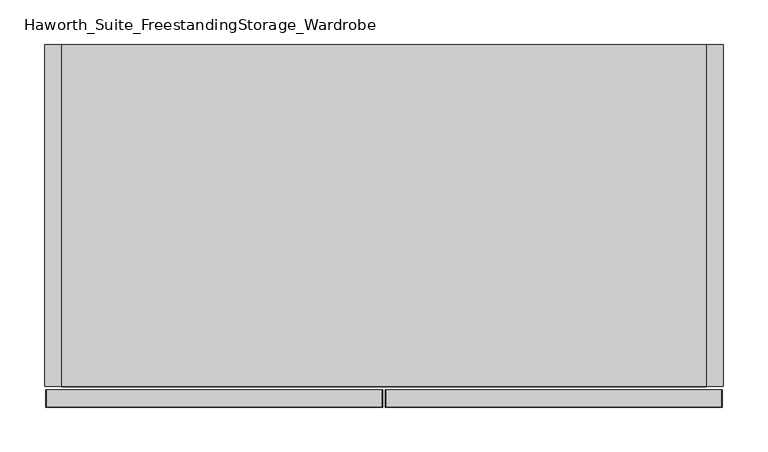
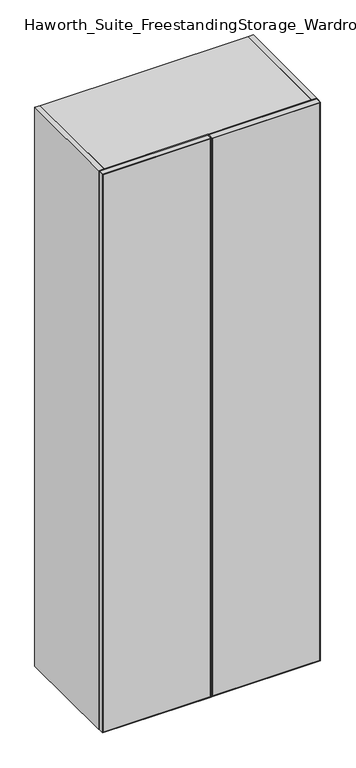
"""IFC4 building model written with IfcOpenShell, lengths in millimetres: furniture geometry, Haworth_Suite_FreestandingStorage_Wardrobe."""

from ifc_helpers import new_model, si_unit, point, frame, frame_2d, origin, origin_with_axes, place, context, project, spatial, polyline, circle_curve, trimmed, segment, composite_curve, outline, extrude, source, transform, mapped, element, save


def haworth_suite_freestandingstorage_wardrobe_056a5f03(model_context):
    return source(origin(), model_context, "Body", "SweptSolid", [
        extrude(outline(polyline([(2057.4, 61.9125), (2055.8125, 60.325), (1.5875, 60.325), (0.0, 61.9125), (2057.4, 61.9125)])), frame((0.0, -419.89375, 0.0), z_axis=(0.0, 1.0, 0.0), x_axis=(0.0, 0.0, 1.0)), (0.0, 0.0, 1.0), 19.05),
        extrude(outline(polyline([(2057.4, -315.9125), (0.0, -315.9125), (1.5875, -314.325), (2055.8125, -314.325), (2057.4, -315.9125)])), frame((0.0, -419.89375, 0.0), z_axis=(0.0, 1.0, 0.0), x_axis=(0.0, 0.0, 1.0)), (0.0, 0.0, 1.0), 19.05),
        extrude(outline(polyline([(2055.8125, 60.325), (2057.4, 61.9125), (2057.4, -315.9125), (2055.8125, -314.325), (2055.8125, 60.325)])), frame((0.0, -419.89375, 0.0), z_axis=(0.0, 1.0, 0.0), x_axis=(0.0, 0.0, 1.0)), (0.0, 0.0, 1.0), 19.05),
        extrude(outline(polyline([(1.5875, 60.325), (1.5875, -314.325), (0.0, -315.9125), (0.0, 61.9125), (1.5875, 60.325)])), frame((0.0, -419.89375, 0.0), z_axis=(0.0, 1.0, 0.0), x_axis=(0.0, 0.0, 1.0)), (0.0, 0.0, 1.0), 19.05),
        extrude(outline(polyline([(-314.325, -401.6375), (60.325, -401.6375), (60.325, -419.1), (-314.325, -419.1), (-314.325, -401.6375)])), frame((0.0, 0.0, 1.5875), z_axis=(0.0, 0.0, 1.0), x_axis=(1.0, 0.0, 0.0)), (0.0, 0.0, 1.0), 2054.225),
        extrude(outline(polyline([(2057.4, 65.0875), (0.0, 65.0875), (1.5875, 66.675), (2055.8125, 66.675), (2057.4, 65.0875)])), frame((0.0, -419.89375, 0.0), z_axis=(0.0, 1.0, 0.0), x_axis=(0.0, 0.0, 1.0)), (0.0, 0.0, 1.0), 19.05),
        extrude(outline(polyline([(2057.4, 442.9125), (2055.8125, 441.325), (1.5875, 441.325), (0.0, 442.9125), (2057.4, 442.9125)])), frame((0.0, -419.89375, 0.0), z_axis=(0.0, 1.0, 0.0), x_axis=(0.0, 0.0, 1.0)), (0.0, 0.0, 1.0), 19.05),
        extrude(outline(polyline([(2055.8125, 66.675), (2055.8125, 441.325), (2057.4, 442.9125), (2057.4, 65.0875), (2055.8125, 66.675)])), frame((0.0, -419.89375, 0.0), z_axis=(0.0, 1.0, 0.0), x_axis=(0.0, 0.0, 1.0)), (0.0, 0.0, 1.0), 19.05),
        extrude(outline(polyline([(1.5875, 66.675), (0.0, 65.0875), (0.0, 442.9125), (1.5875, 441.325), (1.5875, 66.675)])), frame((0.0, -419.89375, 0.0), z_axis=(0.0, 1.0, 0.0), x_axis=(0.0, 0.0, 1.0)), (0.0, 0.0, 1.0), 19.05),
        extrude(outline(polyline([(441.325, -401.6375), (441.325, -419.1), (66.675, -419.1), (66.675, -401.6375), (441.325, -401.6375)])), frame((0.0, 0.0, 1.5875), z_axis=(0.0, 0.0, 1.0), x_axis=(1.0, 0.0, 0.0)), (0.0, 0.0, 1.0), 2054.225),
        extrude(outline(composite_curve([segment(trimmed(circle_curve(frame_2d((1524.0, 196.85)), 12.7), [point((1524.0, 209.55))], [point((1524.0, 184.15))], False, "CARTESIAN"), True, "CONTINUOUS"), segment(trimmed(circle_curve(frame_2d((1524.0, 196.85)), 12.7), [point((1524.0, 184.15))], [point((1524.0, 209.55))], False, "CARTESIAN"), True, "CONTINUOUS")], self_intersect=False)), frame((0.0, -88.9, 0.0), z_axis=(0.0, 1.0, 0.0), x_axis=(0.0, 0.0, 1.0)), (0.0, 0.0, 1.0), 57.15),
        extrude(outline(polyline([(-31.75, -31.75), (-31.75, -396.875), (-50.8, -396.875), (-50.8, -31.75), (-31.75, -31.75)])), frame((0.0, 0.0, 38.1), z_axis=(0.0, 0.0, 1.0), x_axis=(1.0, 0.0, 0.0)), (0.0, 0.0, 1.0), 2000.25),
        extrude(outline(polyline([(-50.8, -31.75), (-50.8, -377.825), (-298.45, -377.825), (-298.45, -31.75), (-50.8, -31.75)])), frame((0.0, 0.0, 1631.95), z_axis=(0.0, 0.0, 1.0), x_axis=(1.0, 0.0, 0.0)), (0.0, 0.0, 1.0), 19.05),
        extrude(outline(polyline([(-50.8, -31.75), (-50.8, -377.825), (-298.45, -377.825), (-298.45, -31.75), (-50.8, -31.75)])), frame((0.0, 0.0, 431.8), z_axis=(0.0, 0.0, 1.0), x_axis=(1.0, 0.0, 0.0)), (0.0, 0.0, 1.0), 19.05),
        extrude(outline(polyline([(-50.8, -31.75), (-50.8, -377.825), (-298.45, -377.825), (-298.45, -31.75), (-50.8, -31.75)])), frame((0.0, 0.0, 831.85), z_axis=(0.0, 0.0, 1.0), x_axis=(1.0, 0.0, 0.0)), (0.0, 0.0, 1.0), 19.05),
        extrude(outline(polyline([(-50.8, -31.75), (-50.8, -377.825), (-298.45, -377.825), (-298.45, -31.75), (-50.8, -31.75)])), frame((0.0, 0.0, 1231.9), z_axis=(0.0, 0.0, 1.0), x_axis=(1.0, 0.0, 0.0)), (0.0, 0.0, 1.0), 19.05),
        extrude(outline(polyline([(425.45, -12.7), (425.45, -396.875), (-298.45, -396.875), (-298.45, -12.7), (425.45, -12.7)])), frame((0.0, 0.0, 2038.35), z_axis=(0.0, 0.0, 1.0), x_axis=(1.0, 0.0, 0.0)), (0.0, 0.0, 1.0), 19.05),
        extrude(outline(polyline([(425.45, -12.7), (425.45, -31.75), (-298.45, -31.75), (-298.45, -12.7), (425.45, -12.7)])), origin_with_axes(), (0.0, 0.0, 1.0), 2038.35),
        extrude(outline(polyline([(425.45, -31.75), (425.45, -396.875), (-298.45, -396.875), (-298.45, -31.75), (425.45, -31.75)])), origin_with_axes(), (0.0, 0.0, 1.0), 38.1),
        extrude(outline(polyline([(-298.45, -12.7), (-298.45, -396.875), (-317.5, -396.875), (-317.5, -12.7), (-298.45, -12.7)])), origin_with_axes(), (0.0, 0.0, 1.0), 2057.4),
        extrude(outline(polyline([(444.5, -396.875), (425.45, -396.875), (425.45, -12.7), (444.5, -12.7), (444.5, -396.875)])), origin_with_axes(), (0.0, 0.0, 1.0), 2057.4),
    ])


if __name__ == "__main__":
    model = new_model("IFC4")
    model_context = context("Model", 3, world=origin())
    ifc_project = project(units=[si_unit("LENGTHUNIT", "METRE", prefix="MILLI")], contexts=[model_context])
    site = spatial("IfcSite", under=ifc_project)
    building = spatial("IfcBuilding", under=site)
    placement = place(None, origin())
    haworth_suite_freestandingstorage_wardrobe_shape = haworth_suite_freestandingstorage_wardrobe_056a5f03(model_context)
    element("IfcFurniture", 1, ObjectType="Haworth_Suite_FreestandingStorage_Wardrobe", at=placement, inside=building, context=model_context, shape_type="MappedRepresentation", body=[
        mapped(haworth_suite_freestandingstorage_wardrobe_shape, transform((0.0, 0.0, 0.0), x_axis=(1.0, 0.0, 0.0), y_axis=(0.0, 1.0, 0.0), z_axis=(0.0, 0.0, 1.0))),
    ])
    save(model, "model.ifc")
